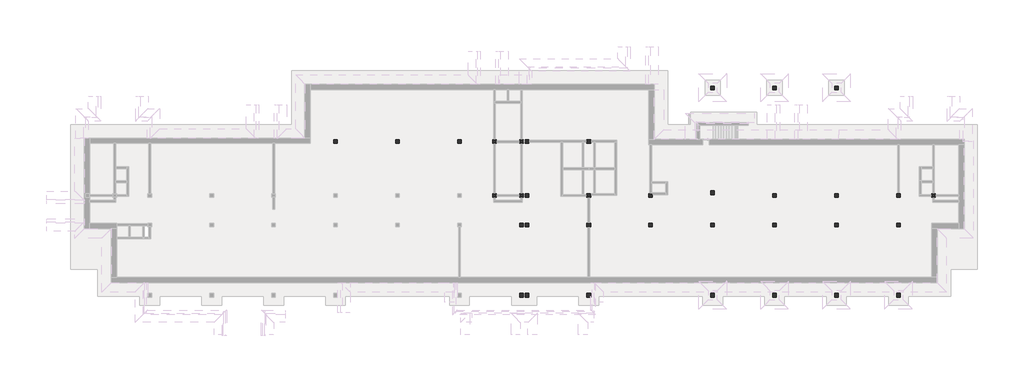
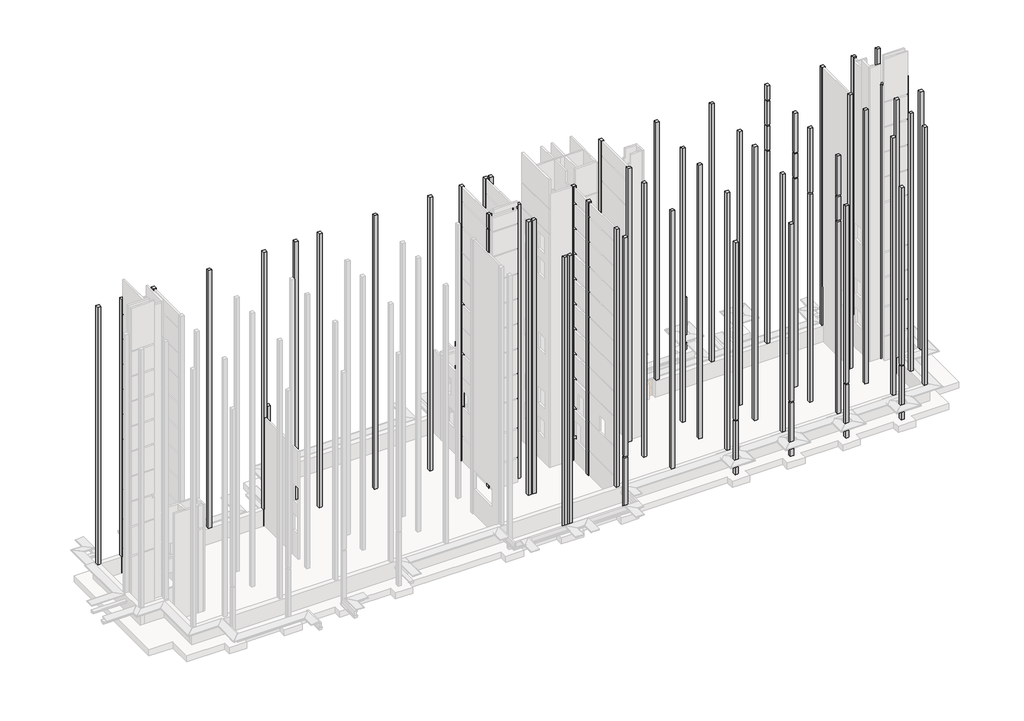
# One storey, part 6 of 9: 68 columns.
"""IFC4 building model written with IfcOpenShell, lengths in millimetres."""

import ifcopenshell
import ifcopenshell.guid

model = None  # the IFC model being written
_history = None  # IfcOwnerHistory: only IFC2X3 demands one
_inside = {}  # id of a spatial element -> (the spatial element, [elements in it])
_under = {}  # id of a project, library or spatial element -> (it, [spatial elements below it])
_declared = {}  # id of a project -> (the project, [libraries it declares])
_typed = {}  # id of a type object -> (the type object, [elements of that type])
_made_of = {}  # id of a material, layer set ... -> (it, [elements and type objects made of it])


def new_model(schema):
    """Start an empty IFC model of exactly this schema.

    Asked for "IFC4X3", IfcOpenShell would pick the latest addendum, in which some entities
    have other attributes; the version numbers below select the first issue.
    IFC2X3 requires an IfcOwnerHistory on every rooted entity: one is made here for all.
    """
    global model, _history
    if schema == "IFC4X3":
        model = ifcopenshell.file(schema_version=(4, 3, 0, 0))
    else:
        model = ifcopenshell.file(schema=schema)
    _inside.clear()
    _under.clear()
    _declared.clear()
    _typed.clear()
    _made_of.clear()
    _history = None
    if model.schema == "IFC2X3":
        org = make("IfcOrganization", Name="unknown")
        user = make(
            "IfcPersonAndOrganization",
            ThePerson=make("IfcPerson", FamilyName="unknown"),
            TheOrganization=org,
        )
        app = make(
            "IfcApplication",
            ApplicationDeveloper=org,
            Version="unknown",
            ApplicationFullName="unknown",
            ApplicationIdentifier="unknown",
        )
        _history = make(
            "IfcOwnerHistory",
            OwningUser=user,
            OwningApplication=app,
            ChangeAction="ADDED",
            CreationDate=0,
        )
    return model


def make(cls, **values):
    """One entity of the class cls with the attributes given. An attribute that is None is left unset."""
    return model.create_entity(
        cls, **{name: value for name, value in values.items() if value is not None}
    )


def rooted(cls, **values):
    """An entity with a GlobalId (a new one), such as an element, a storey or a relation."""
    return make(cls, GlobalId=ifcopenshell.guid.new(), OwnerHistory=_history, **values)


def si_unit(unit_type, name, prefix=None):
    """IfcSIUnit, for example si_unit("LENGTHUNIT", "METRE", prefix="MILLI")."""
    return make("IfcSIUnit", UnitType=unit_type, Prefix=prefix, Name=name)


def assignment(units):
    """IfcUnitAssignment: the units of a project."""
    return None if units is None else make("IfcUnitAssignment", Units=units)


def point(xyz):
    """IfcCartesianPoint."""
    return None if xyz is None else make("IfcCartesianPoint", Coordinates=xyz)


def direction(xyz):
    """IfcDirection."""
    return None if xyz is None else make("IfcDirection", DirectionRatios=xyz)


def frame(location, z_axis=None, x_axis=None):
    """IfcAxis2Placement3D, a coordinate frame: its origin and axes. An axis left out is left unset."""
    return make(
        "IfcAxis2Placement3D",
        Location=point(location),
        Axis=direction(z_axis),
        RefDirection=direction(x_axis),
    )


def origin():
    """The frame at (0, 0, 0) with its axes left unset."""
    return frame((0.0, 0.0, 0.0))


def place(relative_to, where):
    """IfcLocalPlacement: puts the frame where relative to a parent placement (None: the world)."""
    return make(
        "IfcLocalPlacement", PlacementRelTo=relative_to, RelativePlacement=where
    )


def context(
    kind, dimensions, precision=None, world=None, true_north=None, identifier=None
):
    """IfcGeometricRepresentationContext, for example the 3D "Model" context."""
    return make(
        "IfcGeometricRepresentationContext",
        ContextIdentifier=identifier,
        ContextType=kind,
        CoordinateSpaceDimension=dimensions,
        Precision=precision,
        WorldCoordinateSystem=world,
        TrueNorth=true_north,
    )


def project(units=None, contexts=None):
    """IfcProject with its units and contexts."""
    return rooted(
        "IfcProject",
        Name="project",
        RepresentationContexts=contexts,
        UnitsInContext=assignment(units),
    )


def spatial(cls, under=None, at=None, **own):
    """A site, building, storey or space (cls), placed at a placement, below another one or the project."""
    s = rooted(cls, ObjectPlacement=at, **own)
    if under is not None:
        _under.setdefault(under.id(), (under, []))[1].append(s)
    return s


def polyline(points):
    """IfcPolyline through the points."""
    return make("IfcPolyline", Points=[point(p) for p in points])


def outline(outer, holes=None, kind="AREA"):
    """IfcArbitraryClosedProfileDef: a profile drawn as a closed curve; with holes, ...WithVoids."""
    if holes is None:
        return make("IfcArbitraryClosedProfileDef", ProfileType=kind, OuterCurve=outer)
    return make(
        "IfcArbitraryProfileDefWithVoids",
        ProfileType=kind,
        OuterCurve=outer,
        InnerCurves=holes,
    )


def extrude(swept, where, along, depth):
    """IfcExtrudedAreaSolid: the profile swept, set in the frame where, extruded along a direction by depth."""
    return make(
        "IfcExtrudedAreaSolid",
        SweptArea=swept,
        Position=where,
        ExtrudedDirection=direction(along),
        Depth=depth,
    )


def faces_of(points, faces, orient=None, outer=None):
    """IfcFace entities. A face is a list of loops; a loop is a list of indices into points, from 0.

    orient and outer hold one flag for each loop. By default every Orientation is true, the
    first loop of a face is its IfcFaceOuterBound and the others are IfcFaceBound.
    """
    made = []
    for i, loops in enumerate(faces):
        bounds = []
        for j, loop in enumerate(loops):
            is_outer = j == 0 if outer is None else outer[i][j]
            bounds.append(
                make(
                    "IfcFaceOuterBound" if is_outer else "IfcFaceBound",
                    Bound=make("IfcPolyLoop", Polygon=[points[k] for k in loop]),
                    Orientation=True if orient is None else orient[i][j],
                )
            )
        made.append(make("IfcFace", Bounds=bounds))
    return made


def faceted_brep(points, faces, orient=None, outer=None, voids=None):
    """IfcFacetedBrep: a solid bounded by flat faces; with voids (closed shells), ...WithVoids."""
    shared = [point(p) for p in points]
    hull = make("IfcClosedShell", CfsFaces=faces_of(shared, faces, orient, outer))
    if voids is None:
        return make("IfcFacetedBrep", Outer=hull)
    return make(
        "IfcFacetedBrepWithVoids",
        Outer=hull,
        Voids=[
            make(cls, CfsFaces=faces_of(shared, fs, o, b)) for cls, fs, o, b in voids
        ],
    )


def shape(context_of_items, identifier, shape_type, items):
    """IfcShapeRepresentation: the items that make up one representation, for example the "Body"."""
    return make(
        "IfcShapeRepresentation",
        ContextOfItems=context_of_items,
        RepresentationIdentifier=identifier,
        RepresentationType=shape_type,
        Items=items,
    )


def source(mapping_origin, context_of_items, identifier, shape_type, items):
    """IfcRepresentationMap: a shape defined once, which mapped items show again and again."""
    return make(
        "IfcRepresentationMap",
        MappingOrigin=mapping_origin,
        MappedRepresentation=shape(context_of_items, identifier, shape_type, items),
    )


def transform(
    local_origin,
    x_axis=None,
    y_axis=None,
    z_axis=None,
    scale=None,
    scale2=None,
    scale3=None,
    uniform=True,
):
    """IfcCartesianTransformationOperator3D, or its non-uniform kind. x_axis, y_axis, z_axis: its Axis1, 2, 3."""
    if uniform:
        return make(
            "IfcCartesianTransformationOperator3D",
            Axis1=direction(x_axis),
            Axis2=direction(y_axis),
            LocalOrigin=point(local_origin),
            Scale=scale,
            Axis3=direction(z_axis),
        )
    return make(
        "IfcCartesianTransformationOperator3DnonUniform",
        Axis1=direction(x_axis),
        Axis2=direction(y_axis),
        LocalOrigin=point(local_origin),
        Scale=scale,
        Axis3=direction(z_axis),
        Scale2=scale2,
        Scale3=scale3,
    )


def mapped(mapping_source, mapping_target):
    """IfcMappedItem: shows the shape of a source again, moved by a transform."""
    return make(
        "IfcMappedItem", MappingSource=mapping_source, MappingTarget=mapping_target
    )


def made_of(thing, what):
    """Note that an element or type object is made of a material, layer set ...; save() writes the relation."""
    if what is not None:
        _made_of.setdefault(what.id(), (what, []))[1].append(thing)
    return thing


def element(
    cls,
    number,
    at=None,
    inside=None,
    cuts=None,
    type_object=None,
    material=None,
    context=None,
    identifier="Body",
    shape_type=None,
    held_by="IfcProductDefinitionShape",
    body=None,
    shapes=None,
    **own,
):
    """One element of the class cls, such as IfcWall. Its Tag is "e" and its number.

    at: its placement. inside: the storey or other place that contains it. cuts: it is an
    opening in that element (IfcRelVoidsElement). A single representation is given by context,
    identifier, shape_type and body (its items); several are given by shapes. held_by: the class
    of the entity that holds the representations. save() writes the other relations.
    """
    e = rooted(cls, Tag="e%d" % number, ObjectPlacement=at, **own)
    if body is not None:
        shapes = [shape(context, identifier, shape_type, body)]
    if shapes is not None:
        e.Representation = make(held_by, Representations=shapes)
    if inside is not None:
        _inside.setdefault(inside.id(), (inside, []))[1].append(e)
    if cuts is not None:
        rooted(
            "IfcRelVoidsElement", RelatingBuildingElement=cuts, RelatedOpeningElement=e
        )
    if type_object is not None:
        _typed.setdefault(type_object.id(), (type_object, []))[1].append(e)
    return made_of(e, material)


def aggregate(whole, parts):
    """IfcRelAggregates: a whole, such as a stair, and the parts it consists of."""
    return rooted("IfcRelAggregates", RelatingObject=whole, RelatedObjects=parts)


def save(model, path):
    """Write the relations noted so far, then the file.

    IfcRelAggregates (storeys below a building ...), IfcRelContainedInSpatialStructure (elements
    in a storey), IfcRelDefinesByType, IfcRelAssociatesMaterial and IfcRelDeclares: one each for
    every whole, place, type object, material and project.
    """
    for whole, parts in _under.values():
        aggregate(whole, parts)
    for where, things in _inside.values():
        rooted(
            "IfcRelContainedInSpatialStructure",
            RelatedElements=things,
            RelatingStructure=where,
        )
    for kind, things in _typed.values():
        rooted("IfcRelDefinesByType", RelatedObjects=things, RelatingType=kind)
    for what, things in _made_of.values():
        rooted("IfcRelAssociatesMaterial", RelatedObjects=things, RelatingMaterial=what)
    for by, libraries in _declared.values():
        rooted("IfcRelDeclares", RelatingContext=by, RelatedDefinitions=libraries)
    model.write(path)


def column_3cdd4e65(model_context):
    return source(origin(), model_context, "Body", "SweptSolid", [
        extrude(outline(polyline([(200.0, 200.0), (200.0, -200.0), (-200.0, -200.0), (-200.0, 200.0), (200.0, 200.0)])), frame((0.0, 0.0, -3300.0), z_axis=(0.0, 0.0, 1.0), x_axis=(1.0, 0.0, 0.0)), (0.0, 0.0, 1.0), 6900.0),
    ])


def column_06988548(model_context):
    return source(origin(), model_context, "Body", "SweptSolid", [
        extrude(outline(polyline([(200.0, 200.0), (200.0, -200.0), (-200.0, -200.0), (-200.0, 200.0), (200.0, 200.0)])), frame((0.0, 0.0, -3300.0), z_axis=(0.0, 0.0, 1.0), x_axis=(1.0, 0.0, 0.0)), (0.0, 0.0, 1.0), 10800.0),
    ])


model = new_model("IFC4")

# Units and contexts
model_context = context("Model", 3, world=origin())
ifc_project = project(units=[si_unit("LENGTHUNIT", "METRE", prefix="MILLI")], contexts=[model_context])

# Site, building, storey
site = spatial("IfcSite", under=ifc_project)
building = spatial("IfcBuilding", under=site)
storey = spatial("IfcBuildingStorey", under=building, Elevation=-3300.0)

# Columns
placement = place(None, origin())
element("IfcColumn", 1, at=placement, inside=storey, context=model_context, shape_type="SweptSolid", body=[
    extrude(outline(polyline([(-47989.9887159, 393.1079487), (-47989.9887159, 793.1079487), (-47589.9887159, 793.1079487), (-47589.9887159, 393.1079487), (-47989.9887159, 393.1079487)])), frame((0.0, 0.0, -3300.0), z_axis=(0.0, 0.0, 1.0), x_axis=(1.0, 0.0, 0.0)), (0.0, 0.0, 1.0), 36100.0),
])
element("IfcColumn", 2, at=placement, inside=storey, context=model_context, shape_type="Brep", body=[
    faceted_brep([(-44989.9887159, 393.1079487, -3300.0), (-44989.9887159, 793.1079487, -3300.0), (-44589.9887159, 793.1079487, -3300.0), (-44589.9887159, 393.1079487, -3300.0), (-44689.9887159, 393.1079487, -3300.0), (-44889.9887159, 393.1079487, -3300.0), (-44989.9887159, 393.1079487, 32800.0), (-44989.9887159, 793.1079487, 32800.0), (-44589.9887159, 793.1079487, 32800.0), (-44589.9887159, 393.1079487, 32800.0)], [[[0, 1, 2, 3, 4, 5]], [[6, 7, 1, 0]], [[7, 8, 2, 1]], [[8, 9, 3, 2]], [[9, 6, 0, 5, 4, 3]], [[6, 9, 8, 7]]]),
])
element("IfcColumn", 3, at=placement, inside=storey, context=model_context, shape_type="SweptSolid", body=[
    extrude(outline(polyline([(-41089.9887159, 393.1079487), (-41089.9887159, 793.1079487), (-40689.9887159, 793.1079487), (-40689.9887159, 393.1079487), (-41089.9887159, 393.1079487)])), frame((0.0, 0.0, -3300.0), z_axis=(0.0, 0.0, 1.0), x_axis=(1.0, 0.0, 0.0)), (0.0, 0.0, 1.0), 36100.0),
])
element("IfcColumn", 4, at=placement, inside=storey, context=model_context, shape_type="SweptSolid", body=[
    extrude(outline(polyline([(-34189.9887159, 393.1079487), (-34189.9887159, 793.1079487), (-33789.9887159, 793.1079487), (-33789.9887159, 393.1079487), (-34189.9887159, 393.1079487)])), frame((0.0, 0.0, -3300.0), z_axis=(0.0, 0.0, 1.0), x_axis=(1.0, 0.0, 0.0)), (0.0, 0.0, 1.0), 36100.0),
])
element("IfcColumn", 5, at=placement, inside=storey, context=model_context, shape_type="SweptSolid", body=[
    extrude(outline(polyline([(-27289.9887159, 393.1079487), (-27289.9887159, 793.1079487), (-26889.9887159, 793.1079487), (-26889.9887159, 393.1079487), (-27289.9887159, 393.1079487)])), frame((0.0, 0.0, -3300.0), z_axis=(0.0, 0.0, 1.0), x_axis=(1.0, 0.0, 0.0)), (0.0, 0.0, 1.0), 36100.0),
])
element("IfcColumn", 6, at=placement, inside=storey, context=model_context, shape_type="SweptSolid", body=[
    extrude(outline(polyline([(-20389.9887159, 393.1079487), (-20389.9887159, 793.1079487), (-19989.9887159, 793.1079487), (-19989.9887159, 393.1079487), (-20389.9887159, 393.1079487)])), frame((0.0, 0.0, -3300.0), z_axis=(0.0, 0.0, 1.0), x_axis=(1.0, 0.0, 0.0)), (0.0, 0.0, 1.0), 36100.0),
])
element("IfcColumn", 7, at=placement, inside=storey, context=model_context, shape_type="SweptSolid", body=[
    extrude(outline(polyline([(-13489.9887159, 393.1079487), (-13489.9887159, 793.1079487), (-13089.9887159, 793.1079487), (-13089.9887159, 393.1079487), (-13489.9887159, 393.1079487)])), frame((0.0, 0.0, -3300.0), z_axis=(0.0, 0.0, 1.0), x_axis=(1.0, 0.0, 0.0)), (0.0, 0.0, 1.0), 36100.0),
])
element("IfcColumn", 8, at=placement, inside=storey, context=model_context, shape_type="SweptSolid", body=[
    extrude(outline(polyline([(-6589.9887159, 393.1079487), (-6589.9887159, 793.1079487), (-6189.9887159, 793.1079487), (-6189.9887159, 393.1079487), (-6589.9887159, 393.1079487)])), frame((0.0, 0.0, -3300.0), z_axis=(0.0, 0.0, 1.0), x_axis=(1.0, 0.0, 0.0)), (0.0, 0.0, 1.0), 36100.0),
])
element("IfcColumn", 9, at=placement, inside=storey, context=model_context, shape_type="Brep", body=[
    faceted_brep([(-2689.9887159, -5606.8920513, -3300.0), (-2689.9887159, -5206.8920513, -3300.0), (-2589.9887159, -5206.8920513, -3300.0), (-2389.9887159, -5206.8920513, -3300.0), (-2289.9887159, -5206.8920513, -3300.0), (-2289.9887159, -5306.8920513, -3300.0), (-2289.9887159, -5506.8920513, -3300.0), (-2289.9887159, -5606.8920513, -3300.0), (-2389.9887159, -5606.8920513, -3300.0), (-2589.9887159, -5606.8920513, -3300.0), (-2689.9887159, -5606.8920513, 32800.0), (-2689.9887159, -5206.8920513, 32800.0), (-2689.9887159, -5206.8920513, 30900.0), (-2689.9887159, -5486.8920513, 30900.0), (-2689.9887159, -5606.8920513, 30900.0), (-2689.9887159, -5206.8920513, -160.0), (-2589.9887159, -5206.8920513, -160.0), (-2393.7175295, -5206.8920513, -160.0), (-2389.9887159, -5206.8920513, -160.0), (-2293.7175295, -5206.8920513, -160.0), (-2293.7175295, -5206.8920513, 0.0), (-2389.9887159, -5206.8920513, 0.0), (-2393.7175295, -5206.8920513, 0.0), (-2589.9887159, -5206.8920513, 0.0), (-2689.9887159, -5206.8920513, 0.0), (-2689.9887159, -5206.8920513, 30740.0), (-2589.9887159, -5206.8920513, 30740.0), (-2393.7175295, -5206.8920513, 30740.0), (-2389.9887159, -5206.8920513, 30740.0), (-2293.7175295, -5206.8920513, 30740.0), (-2293.7175295, -5206.8920513, 30900.0), (-2389.9887159, -5206.8920513, 30900.0), (-2393.7175295, -5206.8920513, 30900.0), (-2589.9887159, -5206.8920513, 30900.0), (-2589.9887159, -5206.8920513, 32800.0), (-2389.9887159, -5206.8920513, 32800.0), (-2289.9887159, -5206.8920513, 32800.0), (-2289.9887159, -5306.8920513, 32800.0), (-2289.9887159, -5506.8920513, 32800.0), (-2289.9887159, -5606.8920513, 32800.0), (-2289.9887159, -5306.8920513, -160.0), (-2289.9887159, -5506.8920513, -160.0), (-2289.9887159, -5506.8920513, 0.0), (-2289.9887159, -5306.8920513, 0.0), (-2289.9887159, -5306.8920513, 30740.0), (-2289.9887159, -5506.8920513, 30740.0), (-2289.9887159, -5506.8920513, 30900.0), (-2289.9887159, -5306.8920513, 30900.0), (-2389.9887159, -5606.8920513, 32800.0), (-2589.9887159, -5606.8920513, 32800.0), (-2589.9887159, -5606.8920513, 30900.0), (-2389.9887159, -5606.8920513, 30900.0), (-2389.9887159, -5606.8920513, 30740.0), (-2589.9887159, -5606.8920513, 30740.0), (-2689.9887159, -5606.8920513, 30740.0), (-2689.9887159, -5606.8920513, 14400.0), (-2689.9887159, -5606.8920513, 14240.0), (-2689.9887159, -5606.8920513, 11100.0), (-2689.9887159, -5606.8920513, 0.0), (-2589.9887159, -5606.8920513, 0.0), (-2389.9887159, -5606.8920513, 0.0), (-2389.9887159, -5606.8920513, -160.0), (-2589.9887159, -5606.8920513, -160.0), (-2689.9887159, -5606.8920513, -160.0), (-2293.7175295, -5306.8920513, -160.0), (-2389.9887159, -5506.8920513, -160.0), (-2293.7175295, -5306.8920513, 0.0), (-2389.9887159, -5506.8920513, 0.0), (-2293.7175295, -5306.8920513, 30740.0), (-2689.9887159, -5486.8920513, 30740.0), (-2389.9887159, -5506.8920513, 30740.0), (-2293.7175295, -5306.8920513, 30900.0), (-2389.9887159, -5506.8920513, 30900.0)], [[[0, 1, 2, 3, 4, 5, 6, 7, 8, 9]], [[10, 11, 12, 13, 14]], [[4, 3, 2, 1, 15, 16, 17, 18, 19, 20, 21, 22, 23, 24, 25, 26, 27, 28, 29, 30, 31, 32, 33, 12, 11, 34, 35, 36]], [[7, 6, 5, 4, 36, 37, 38, 39], [40, 41, 42, 43], [44, 45, 46, 47]], [[0, 9, 8, 7, 39, 48, 49, 10, 14, 50, 51, 52, 53, 54, 55, 56, 57, 58, 59, 60, 61, 62, 63]], [[11, 10, 49, 48, 39, 38, 37, 36, 35, 34]], [[64, 19, 18, 17, 16, 15, 63, 62, 61, 65, 41, 40]], [[20, 66, 43, 42, 67, 60, 59, 58, 24, 23, 22, 21]], [[19, 64, 66, 20]], [[66, 64, 40, 43]], [[65, 67, 42, 41]], [[67, 65, 61, 60]], [[1, 0, 63, 15]], [[68, 29, 28, 27, 26, 25, 69, 54, 53, 52, 70, 45, 44]], [[30, 71, 47, 46, 72, 51, 50, 14, 13, 12, 33, 32, 31]], [[29, 68, 71, 30]], [[71, 68, 44, 47]], [[70, 72, 46, 45]], [[72, 70, 52, 51]], [[24, 58, 57, 56, 55, 54, 69, 25]]]),
])
element("IfcColumn", 10, at=placement, inside=storey, context=model_context, shape_type="SweptSolid", body=[
    extrude(outline(polyline([(-2689.9887159, 393.1079487), (-2689.9887159, 793.1079487), (-2289.9887159, 793.1079487), (-2289.9887159, 393.1079487), (-2689.9887159, 393.1079487)])), frame((0.0, 0.0, -3300.0), z_axis=(0.0, 0.0, 1.0), x_axis=(1.0, 0.0, 0.0)), (0.0, 0.0, 1.0), 36100.0),
])
element("IfcColumn", 11, at=placement, inside=storey, context=model_context, shape_type="SweptSolid", body=[
    extrude(outline(polyline([(310.0112841, -16706.8920513), (310.0112841, -16306.8920513), (710.0112841, -16306.8920513), (710.0112841, -16706.8920513), (310.0112841, -16706.8920513)])), frame((0.0, 0.0, -3300.0), z_axis=(0.0, 0.0, 1.0), x_axis=(1.0, 0.0, 0.0)), (0.0, 0.0, 1.0), 36100.0),
])
element("IfcColumn", 12, at=placement, inside=storey, context=model_context, shape_type="SweptSolid", body=[
    extrude(outline(polyline([(310.0112841, -8906.8920513), (310.0112841, -8506.8920513), (710.0112841, -8506.8920513), (710.0112841, -8906.8920513), (310.0112841, -8906.8920513)])), frame((0.0, 0.0, -3300.0), z_axis=(0.0, 0.0, 1.0), x_axis=(1.0, 0.0, 0.0)), (0.0, 0.0, 1.0), 36100.0),
])
element("IfcColumn", 13, at=placement, inside=storey, context=model_context, shape_type="Brep", body=[
    faceted_brep([(310.0112841, -5606.8920513, -3300.0), (310.0112841, -5206.8920513, -3300.0), (410.0112841, -5206.8920513, -3300.0), (610.0112841, -5206.8920513, -3300.0), (710.0112841, -5206.8920513, -3300.0), (710.0112841, -5606.8920513, -3300.0), (610.0112841, -5606.8920513, -3300.0), (410.0112841, -5606.8920513, -3300.0), (310.0112841, -5606.8920513, 32800.0), (310.0112841, -5206.8920513, 32800.0), (410.0112841, -5206.8920513, 32800.0), (610.0112841, -5206.8920513, 32800.0), (710.0112841, -5206.8920513, 32800.0), (710.0112841, -5606.8920513, 32800.0), (610.0112841, -5606.8920513, 32800.0), (410.0112841, -5606.8920513, 32800.0)], [[[0, 1, 2, 3, 4, 5, 6, 7]], [[8, 9, 1, 0]], [[9, 10, 11, 12, 4, 3, 2, 1]], [[12, 13, 5, 4]], [[13, 14, 15, 8, 0, 7, 6, 5]], [[8, 15, 14, 13, 12, 11, 10, 9]]]),
])
element("IfcColumn", 14, at=placement, inside=storey, context=model_context, shape_type="SweptSolid", body=[
    extrude(outline(polyline([(310.0112841, 393.1079487), (310.0112841, 793.1079487), (710.0112841, 793.1079487), (710.0112841, 393.1079487), (310.0112841, 393.1079487)])), frame((0.0, 0.0, -3300.0), z_axis=(0.0, 0.0, 1.0), x_axis=(1.0, 0.0, 0.0)), (0.0, 0.0, 1.0), 36100.0),
])
element("IfcColumn", 15, at=placement, inside=storey, context=model_context, shape_type="SweptSolid", body=[
    extrude(outline(polyline([(7810.0112841, -14906.8920513), (7810.0112841, -14506.8920513), (8210.0112841, -14506.8920513), (8210.0112841, -14906.8920513), (7810.0112841, -14906.8920513)])), frame((0.0, 0.0, -3300.0), z_axis=(0.0, 0.0, 1.0), x_axis=(1.0, 0.0, 0.0)), (0.0, 0.0, 1.0), 36100.0),
])
element("IfcColumn", 16, at=placement, inside=storey, context=model_context, shape_type="Brep", body=[
    faceted_brep([(7810.0112841, -8906.8920513, -3300.0), (7810.0112841, -8506.8920513, -3300.0), (7910.0112841, -8506.8920513, -3300.0), (8110.0112841, -8506.8920513, -3300.0), (8210.0112841, -8506.8920513, -3300.0), (8210.0112841, -8906.8920513, -3300.0), (8110.0112841, -8906.8920513, -3300.0), (7910.0112841, -8906.8920513, -3300.0), (7810.0112841, -8906.8920513, 32800.0), (7810.0112841, -8506.8920513, 32800.0), (8210.0112841, -8506.8920513, 32800.0), (8210.0112841, -8906.8920513, 32800.0)], [[[0, 1, 2, 3, 4, 5, 6, 7]], [[8, 9, 1, 0]], [[9, 10, 4, 3, 2, 1]], [[10, 11, 5, 4]], [[11, 8, 0, 7, 6, 5]], [[8, 11, 10, 9]]]),
])
element("IfcColumn", 17, at=placement, inside=storey, context=model_context, shape_type="SweptSolid", body=[
    extrude(outline(polyline([(7810.0112841, -5606.8920513), (7810.0112841, -5206.8920513), (8210.0112841, -5206.8920513), (8210.0112841, -5606.8920513), (7810.0112841, -5606.8920513)])), frame((0.0, 0.0, -3300.0), z_axis=(0.0, 0.0, 1.0), x_axis=(1.0, 0.0, 0.0)), (0.0, 0.0, 1.0), 36100.0),
])
element("IfcColumn", 18, at=placement, inside=storey, context=model_context, shape_type="Brep", body=[
    faceted_brep([(7810.0112841, 393.1079487, -3300.0), (7810.0112841, 533.1079487, -3300.0), (7810.0112841, 733.1079487, -3300.0), (7810.0112841, 793.1079487, -3300.0), (8210.0112841, 793.1079487, -3300.0), (8210.0112841, 733.1079487, -3300.0), (8210.0112841, 533.1079487, -3300.0), (8210.0112841, 393.1079487, -3300.0), (7810.0112841, 393.1079487, 32800.0), (7810.0112841, 793.1079487, 32800.0), (8210.0112841, 793.1079487, 32800.0), (8210.0112841, 393.1079487, 32800.0)], [[[0, 1, 2, 3, 4, 5, 6, 7]], [[8, 9, 3, 2, 1, 0]], [[9, 10, 4, 3]], [[10, 11, 7, 6, 5, 4]], [[11, 8, 0, 7]], [[8, 11, 10, 9]]]),
])
element("IfcColumn", 19, at=placement, inside=storey, context=model_context, shape_type="SweptSolid", body=[
    extrude(outline(polyline([(14710.0112841, -14906.8920513), (14710.0112841, -14506.8920513), (15110.0112841, -14506.8920513), (15110.0112841, -14906.8920513), (14710.0112841, -14906.8920513)])), frame((0.0, 0.0, -3300.0), z_axis=(0.0, 0.0, 1.0), x_axis=(1.0, 0.0, 0.0)), (0.0, 0.0, 1.0), 36100.0),
])
element("IfcColumn", 20, at=placement, inside=storey, context=model_context, shape_type="SweptSolid", body=[
    extrude(outline(polyline([(14710.0112841, -8906.8920513), (14710.0112841, -8506.8920513), (15110.0112841, -8506.8920513), (15110.0112841, -8906.8920513), (14710.0112841, -8906.8920513)])), frame((0.0, 0.0, -3300.0), z_axis=(0.0, 0.0, 1.0), x_axis=(1.0, 0.0, 0.0)), (0.0, 0.0, 1.0), 36100.0),
])
element("IfcColumn", 21, at=placement, inside=storey, context=model_context, shape_type="Brep", body=[
    faceted_brep([(14710.0112841, -5606.8920513, -3300.0), (14710.0112841, -5206.8920513, -3300.0), (14810.0112841, -5206.8920513, -3300.0), (15010.0112841, -5206.8920513, -3300.0), (15110.0112841, -5206.8920513, -3300.0), (15110.0112841, -5296.8920513, -3300.0), (15110.0112841, -5606.8920513, -3300.0), (14710.0112841, -5606.8920513, 32800.0), (14710.0112841, -5206.8920513, 32800.0), (14810.0112841, -5206.8920513, 32800.0), (15010.0112841, -5206.8920513, 32800.0), (15110.0112841, -5206.8920513, 32800.0), (15110.0112841, -5296.8920513, 32800.0), (15110.0112841, -5606.8920513, 32800.0)], [[[0, 1, 2, 3, 4, 5, 6]], [[7, 8, 1, 0]], [[8, 9, 10, 11, 4, 3, 2, 1]], [[11, 12, 13, 6, 5, 4]], [[13, 7, 0, 6]], [[7, 13, 12, 11, 10, 9, 8]]]),
])
element("IfcColumn", 22, at=placement, inside=storey, context=model_context, shape_type="SweptSolid", body=[
    extrude(outline(polyline([(14710.0112841, 393.1079487), (14710.0112841, 793.1079487), (15110.0112841, 793.1079487), (15110.0112841, 393.1079487), (14710.0112841, 393.1079487)])), frame((0.0, 0.0, -3300.0), z_axis=(0.0, 0.0, 1.0), x_axis=(1.0, 0.0, 0.0)), (0.0, 0.0, 1.0), 36100.0),
])
element("IfcColumn", 23, at=placement, inside=storey, context=model_context, shape_type="SweptSolid", body=[
    extrude(outline(polyline([(21610.0112841, -14906.8920513), (21610.0112841, -14506.8920513), (22010.0112841, -14506.8920513), (22010.0112841, -14906.8920513), (21610.0112841, -14906.8920513)])), frame((0.0, 0.0, -3300.0), z_axis=(0.0, 0.0, 1.0), x_axis=(1.0, 0.0, 0.0)), (0.0, 0.0, 1.0), 36100.0),
])
element("IfcColumn", 24, at=placement, inside=storey, context=model_context, shape_type="SweptSolid", body=[
    extrude(outline(polyline([(21610.0112841, -8906.8920513), (21610.0112841, -8506.8920513), (22010.0112841, -8506.8920513), (22010.0112841, -8906.8920513), (21610.0112841, -8906.8920513)])), frame((0.0, 0.0, -3300.0), z_axis=(0.0, 0.0, 1.0), x_axis=(1.0, 0.0, 0.0)), (0.0, 0.0, 1.0), 36100.0),
])
element("IfcColumn", 25, at=placement, inside=storey, context=model_context, shape_type="SweptSolid", body=[
    extrude(outline(polyline([(21610.0112841, -5296.8920513), (21610.0112841, -4896.8920513), (22010.0112841, -4896.8920513), (22010.0112841, -5296.8920513), (21610.0112841, -5296.8920513)])), frame((0.0, 0.0, -3300.0), z_axis=(0.0, 0.0, 1.0), x_axis=(1.0, 0.0, 0.0)), (0.0, 0.0, 1.0), 36100.0),
])
element("IfcColumn", 26, at=placement, inside=storey, context=model_context, shape_type="SweptSolid", body=[
    extrude(outline(polyline([(21610.0112841, 393.1079487), (21610.0112841, 793.1079487), (22010.0112841, 793.1079487), (22010.0112841, 393.1079487), (21610.0112841, 393.1079487)])), frame((0.0, 0.0, -3300.0), z_axis=(0.0, 0.0, 1.0), x_axis=(1.0, 0.0, 0.0)), (0.0, 0.0, 1.0), 36100.0),
])
element("IfcColumn", 27, at=placement, inside=storey, context=model_context, shape_type="SweptSolid", body=[
    extrude(outline(polyline([(28510.0112841, -14906.8920513), (28510.0112841, -14506.8920513), (28910.0112841, -14506.8920513), (28910.0112841, -14906.8920513), (28510.0112841, -14906.8920513)])), frame((0.0, 0.0, -3300.0), z_axis=(0.0, 0.0, 1.0), x_axis=(1.0, 0.0, 0.0)), (0.0, 0.0, 1.0), 36100.0),
])
element("IfcColumn", 28, at=placement, inside=storey, context=model_context, shape_type="SweptSolid", body=[
    extrude(outline(polyline([(28510.0112841, -8906.8920513), (28510.0112841, -8506.8920513), (28910.0112841, -8506.8920513), (28910.0112841, -8906.8920513), (28510.0112841, -8906.8920513)])), frame((0.0, 0.0, -3300.0), z_axis=(0.0, 0.0, 1.0), x_axis=(1.0, 0.0, 0.0)), (0.0, 0.0, 1.0), 36100.0),
])
element("IfcColumn", 29, at=placement, inside=storey, context=model_context, shape_type="SweptSolid", body=[
    extrude(outline(polyline([(28510.0112841, -5606.8920513), (28510.0112841, -5206.8920513), (28910.0112841, -5206.8920513), (28910.0112841, -5606.8920513), (28510.0112841, -5606.8920513)])), frame((0.0, 0.0, -3300.0), z_axis=(0.0, 0.0, 1.0), x_axis=(1.0, 0.0, 0.0)), (0.0, 0.0, 1.0), 36100.0),
])
element("IfcColumn", 30, at=placement, inside=storey, context=model_context, shape_type="SweptSolid", body=[
    extrude(outline(polyline([(28510.0112841, 393.1079487), (28510.0112841, 793.1079487), (28910.0112841, 793.1079487), (28910.0112841, 393.1079487), (28510.0112841, 393.1079487)])), frame((0.0, 0.0, -3300.0), z_axis=(0.0, 0.0, 1.0), x_axis=(1.0, 0.0, 0.0)), (0.0, 0.0, 1.0), 36100.0),
])
element("IfcColumn", 31, at=placement, inside=storey, context=model_context, shape_type="SweptSolid", body=[
    extrude(outline(polyline([(35410.0112841, -14906.8920513), (35410.0112841, -14506.8920513), (35810.0112841, -14506.8920513), (35810.0112841, -14906.8920513), (35410.0112841, -14906.8920513)])), frame((0.0, 0.0, -3300.0), z_axis=(0.0, 0.0, 1.0), x_axis=(1.0, 0.0, 0.0)), (0.0, 0.0, 1.0), 27440.0),
    extrude(outline(polyline([(35410.0112841, -14906.8920513), (35410.0112841, -14506.8920513), (35810.0112841, -14506.8920513), (35810.0112841, -14906.8920513), (35410.0112841, -14906.8920513)])), frame((0.0, 0.0, 27600.0), z_axis=(0.0, 0.0, 1.0), x_axis=(1.0, 0.0, 0.0)), (0.0, 0.0, 1.0), 5200.0),
    extrude(outline(polyline([(35410.0112841, -14906.8920513), (35410.0112841, -14506.8920513), (35810.0112841, -14506.8920513), (35810.0112841, -14906.8920513), (35410.0112841, -14906.8920513)])), frame((0.0, 0.0, 24300.0), z_axis=(0.0, 0.0, 1.0), x_axis=(1.0, 0.0, 0.0)), (0.0, 0.0, 1.0), 3140.0),
])
element("IfcColumn", 32, at=placement, inside=storey, context=model_context, shape_type="Brep", body=[
    faceted_brep([(35410.0112841, -8906.8920513, -3300.0), (35410.0112841, -8506.8920513, -3300.0), (35810.0112841, -8506.8920513, -3300.0), (35810.0112841, -8906.8920513, -3300.0), (35410.0112841, -8506.8920513, 24140.0), (35410.0112841, -8906.8920513, 24140.0), (35810.0112841, -8906.8920513, 24140.0), (35810.0112841, -8506.8920513, 24140.0), (35410.0112841, -8506.8920513, 14400.0), (35410.0112841, -8506.8920513, 14240.0), (35410.0112841, -8506.8920513, 11100.0), (35810.0112841, -8506.8920513, 14400.0), (35810.0112841, -8506.8920513, 14240.0), (35810.0112841, -8506.8920513, 11100.0)], [[[0, 1, 2, 3]], [[4, 5, 6, 7]], [[1, 0, 5, 4, 8, 9, 10]], [[2, 1, 10, 9, 8, 4, 7, 11, 12, 13]], [[3, 2, 13, 12, 11, 7, 6]], [[0, 3, 6, 5]]]),
    faceted_brep([(35410.0112841, -8906.8920513, 32800.0), (35410.0112841, -8506.8920513, 32800.0), (35410.0112841, -8506.8920513, 30600.0), (35410.0112841, -8506.8920513, 24300.0), (35410.0112841, -8906.8920513, 24300.0), (35810.0112841, -8506.8920513, 32800.0), (35810.0112841, -8506.8920513, 30600.0), (35810.0112841, -8506.8920513, 24300.0), (35810.0112841, -8906.8920513, 32800.0), (35810.0112841, -8906.8920513, 24300.0)], [[[0, 1, 2, 3, 4]], [[1, 5, 6, 7, 3, 2]], [[5, 8, 9, 7, 6]], [[8, 0, 4, 9]], [[1, 0, 8, 5]], [[4, 3, 7, 9]]]),
])
element("IfcColumn", 33, at=placement, inside=storey, context=model_context, shape_type="Brep", body=[
    faceted_brep([(35410.0112841, -5606.8920513, -3300.0), (35410.0112841, -5206.8920513, -3300.0), (35810.0112841, -5206.8920513, -3300.0), (35810.0112841, -5606.8920513, -3300.0), (35410.0112841, -5206.8920513, 24140.0), (35410.0112841, -5606.8920513, 24140.0), (35810.0112841, -5606.8920513, 24140.0), (35810.0112841, -5206.8920513, 24140.0), (35410.0112841, -5206.8920513, 14400.0), (35410.0112841, -5206.8920513, 14240.0), (35410.0112841, -5206.8920513, 11100.0), (35810.0112841, -5206.8920513, 14400.0), (35810.0112841, -5206.8920513, 14240.0), (35810.0112841, -5206.8920513, 11100.0)], [[[0, 1, 2, 3]], [[4, 5, 6, 7]], [[1, 0, 5, 4, 8, 9, 10]], [[2, 1, 10, 9, 8, 4, 7, 11, 12, 13]], [[3, 2, 13, 12, 11, 7, 6]], [[0, 3, 6, 5]]]),
    faceted_brep([(35410.0112841, -5606.8920513, 32800.0), (35410.0112841, -5206.8920513, 32800.0), (35410.0112841, -5206.8920513, 30740.0), (35410.0112841, -5206.8920513, 27600.0), (35410.0112841, -5606.8920513, 27600.0), (35810.0112841, -5206.8920513, 32800.0), (35810.0112841, -5206.8920513, 30740.0), (35810.0112841, -5206.8920513, 27600.0), (35810.0112841, -5606.8920513, 32800.0), (35810.0112841, -5606.8920513, 27600.0)], [[[0, 1, 2, 3, 4]], [[1, 5, 6, 7, 3, 2]], [[5, 8, 9, 7, 6]], [[8, 0, 4, 9]], [[1, 0, 8, 5]], [[4, 3, 7, 9]]]),
    faceted_brep([(35410.0112841, -5606.8920513, 24300.0), (35410.0112841, -5206.8920513, 24300.0), (35810.0112841, -5206.8920513, 24300.0), (35810.0112841, -5606.8920513, 24300.0), (35410.0112841, -5206.8920513, 27440.0), (35410.0112841, -5606.8920513, 27440.0), (35810.0112841, -5606.8920513, 27440.0), (35810.0112841, -5206.8920513, 27440.0)], [[[0, 1, 2, 3]], [[4, 5, 6, 7]], [[1, 0, 5, 4]], [[2, 1, 4, 7]], [[3, 2, 7, 6]], [[0, 3, 6, 5]]]),
])
element("IfcColumn", 34, at=placement, inside=storey, context=model_context, shape_type="Brep", body=[
    faceted_brep([(35410.0112841, 393.1079487, -3300.0), (35410.0112841, 793.1079487, -3300.0), (35810.0112841, 793.1079487, -3300.0), (35810.0112841, 393.1079487, -3300.0), (35410.0112841, 793.1079487, 24140.0), (35410.0112841, 393.1079487, 24140.0), (35810.0112841, 393.1079487, 24140.0), (35810.0112841, 793.1079487, 24140.0), (35410.0112841, 393.1079487, 11100.0), (35410.0112841, 393.1079487, 14240.0), (35410.0112841, 393.1079487, 14400.0), (35410.0112841, 393.1079487, 17540.0), (35410.0112841, 393.1079487, 17700.0), (35410.0112841, 393.1079487, 20840.0), (35410.0112841, 393.1079487, 21000.0), (35410.0112841, 793.1079487, 21000.0), (35410.0112841, 793.1079487, 20840.0), (35410.0112841, 793.1079487, 17700.0), (35410.0112841, 793.1079487, 17540.0), (35410.0112841, 793.1079487, 14400.0), (35410.0112841, 793.1079487, 14240.0), (35410.0112841, 793.1079487, 11100.0), (35810.0112841, 793.1079487, 21000.0), (35810.0112841, 793.1079487, 20840.0), (35810.0112841, 793.1079487, 17700.0), (35810.0112841, 793.1079487, 17540.0), (35810.0112841, 793.1079487, 14400.0), (35810.0112841, 793.1079487, 14240.0), (35810.0112841, 793.1079487, 11100.0), (35810.0112841, 393.1079487, 21000.0), (35810.0112841, 393.1079487, 20840.0), (35810.0112841, 393.1079487, 17700.0), (35810.0112841, 393.1079487, 17540.0), (35810.0112841, 393.1079487, 14400.0), (35810.0112841, 393.1079487, 14240.0), (35810.0112841, 393.1079487, 11100.0)], [[[0, 1, 2, 3]], [[4, 5, 6, 7]], [[1, 0, 8, 9, 10, 11, 12, 13, 14, 5, 4, 15, 16, 17, 18, 19, 20, 21]], [[2, 1, 21, 20, 19, 18, 17, 16, 15, 4, 7, 22, 23, 24, 25, 26, 27, 28]], [[3, 2, 28, 27, 26, 25, 24, 23, 22, 7, 6, 29, 30, 31, 32, 33, 34, 35]], [[0, 3, 35, 34, 33, 32, 31, 30, 29, 6, 5, 14, 13, 12, 11, 10, 9, 8]]]),
    faceted_brep([(35410.0112841, 393.1079487, 32800.0), (35410.0112841, 793.1079487, 32800.0), (35410.0112841, 793.1079487, 32652.0), (35410.0112841, 793.1079487, 30900.0), (35410.0112841, 393.1079487, 30900.0), (35410.0112841, 393.1079487, 32652.0), (35810.0112841, 793.1079487, 32800.0), (35810.0112841, 793.1079487, 32652.0), (35810.0112841, 793.1079487, 30900.0), (35810.0112841, 393.1079487, 32800.0), (35810.0112841, 393.1079487, 32652.0), (35810.0112841, 393.1079487, 30900.0)], [[[0, 1, 2, 3, 4, 5]], [[1, 6, 7, 8, 3, 2]], [[6, 9, 10, 11, 8, 7]], [[9, 0, 5, 4, 11, 10]], [[1, 0, 9, 6]], [[4, 3, 8, 11]]]),
    faceted_brep([(35410.0112841, 393.1079487, 24300.0), (35410.0112841, 793.1079487, 24300.0), (35810.0112841, 793.1079487, 24300.0), (35810.0112841, 393.1079487, 24300.0), (35410.0112841, 793.1079487, 27440.0), (35410.0112841, 393.1079487, 27440.0), (35810.0112841, 393.1079487, 27440.0), (35810.0112841, 793.1079487, 27440.0)], [[[0, 1, 2, 3]], [[4, 5, 6, 7]], [[1, 0, 5, 4]], [[2, 1, 4, 7]], [[3, 2, 7, 6]], [[0, 3, 6, 5]]]),
    faceted_brep([(35410.0112841, 793.1079487, 30740.0), (35410.0112841, 393.1079487, 30740.0), (35810.0112841, 393.1079487, 30740.0), (35810.0112841, 793.1079487, 30740.0), (35410.0112841, 793.1079487, 27600.0), (35410.0112841, 393.1079487, 27600.0), (35810.0112841, 793.1079487, 27600.0), (35810.0112841, 393.1079487, 27600.0)], [[[0, 1, 2, 3]], [[1, 0, 4, 5]], [[0, 3, 6, 4]], [[3, 2, 7, 6]], [[2, 1, 5, 7]], [[5, 4, 6, 7]]]),
])
element("IfcColumn", 35, at=placement, inside=storey, context=model_context, shape_type="SweptSolid", body=[
    extrude(outline(polyline([(42310.0112841, -14906.8920513), (42310.0112841, -14506.8920513), (42710.0112841, -14506.8920513), (42710.0112841, -14906.8920513), (42310.0112841, -14906.8920513)])), frame((0.0, 0.0, -3300.0), z_axis=(0.0, 0.0, 1.0), x_axis=(1.0, 0.0, 0.0)), (0.0, 0.0, 1.0), 36100.0),
])
element("IfcColumn", 36, at=placement, inside=storey, context=model_context, shape_type="SweptSolid", body=[
    extrude(outline(polyline([(42310.0112841, -8906.8920513), (42310.0112841, -8506.8920513), (42710.0112841, -8506.8920513), (42710.0112841, -8906.8920513), (42310.0112841, -8906.8920513)])), frame((0.0, 0.0, -3300.0), z_axis=(0.0, 0.0, 1.0), x_axis=(1.0, 0.0, 0.0)), (0.0, 0.0, 1.0), 36100.0),
])
element("IfcColumn", 37, at=placement, inside=storey, context=model_context, shape_type="SweptSolid", body=[
    extrude(outline(polyline([(42310.0112841, -5606.8920513), (42310.0112841, -5206.8920513), (42710.0112841, -5206.8920513), (42710.0112841, -5606.8920513), (42310.0112841, -5606.8920513)])), frame((0.0, 0.0, -3300.0), z_axis=(0.0, 0.0, 1.0), x_axis=(1.0, 0.0, 0.0)), (0.0, 0.0, 1.0), 36100.0),
])
element("IfcColumn", 38, at=placement, inside=storey, context=model_context, shape_type="SweptSolid", body=[
    extrude(outline(polyline([(42310.0112841, 393.1079487), (42310.0112841, 793.1079487), (42710.0112841, 793.1079487), (42710.0112841, 393.1079487), (42310.0112841, 393.1079487)])), frame((0.0, 0.0, -3300.0), z_axis=(0.0, 0.0, 1.0), x_axis=(1.0, 0.0, 0.0)), (0.0, 0.0, 1.0), 36100.0),
])
element("IfcColumn", 39, at=placement, inside=storey, context=model_context, shape_type="SweptSolid", body=[
    extrude(outline(polyline([(46210.0112841, -14906.8920513), (46210.0112841, -14506.8920513), (46610.0112841, -14506.8920513), (46610.0112841, -14906.8920513), (46210.0112841, -14906.8920513)])), frame((0.0, 0.0, -3300.0), z_axis=(0.0, 0.0, 1.0), x_axis=(1.0, 0.0, 0.0)), (0.0, 0.0, 1.0), 36100.0),
])
element("IfcColumn", 40, at=placement, inside=storey, context=model_context, shape_type="Brep", body=[
    faceted_brep([(46210.0112841, -5606.8920513, -3300.0), (46210.0112841, -5206.8920513, -3300.0), (46310.0112841, -5206.8920513, -3300.0), (46510.0112841, -5206.8920513, -3300.0), (46610.0112841, -5206.8920513, -3300.0), (46610.0112841, -5606.8920513, -3300.0), (46510.0112841, -5606.8920513, -3300.0), (46310.0112841, -5606.8920513, -3300.0), (46210.0112841, -5606.8920513, 32800.0), (46210.0112841, -5206.8920513, 32800.0), (46610.0112841, -5206.8920513, 32800.0), (46610.0112841, -5606.8920513, 32800.0)], [[[0, 1, 2, 3, 4, 5, 6, 7]], [[8, 9, 1, 0]], [[9, 10, 4, 3, 2, 1]], [[10, 11, 5, 4]], [[11, 8, 0, 7, 6, 5]], [[8, 11, 10, 9]]]),
])
element("IfcColumn", 41, at=placement, inside=storey, context=model_context, shape_type="SweptSolid", body=[
    extrude(outline(polyline([(46210.0112841, 393.1079487), (46210.0112841, 793.1079487), (46610.0112841, 793.1079487), (46610.0112841, 393.1079487), (46210.0112841, 393.1079487)])), frame((0.0, 0.0, -3300.0), z_axis=(0.0, 0.0, 1.0), x_axis=(1.0, 0.0, 0.0)), (0.0, 0.0, 1.0), 36100.0),
])
element("IfcColumn", 42, at=placement, inside=storey, context=model_context, shape_type="SweptSolid", body=[
    extrude(outline(polyline([(49210.0112841, -5606.8920513), (49210.0112841, -5206.8920513), (49610.0112841, -5206.8920513), (49610.0112841, -5606.8920513), (49210.0112841, -5606.8920513)])), frame((0.0, 0.0, -3300.0), z_axis=(0.0, 0.0, 1.0), x_axis=(1.0, 0.0, 0.0)), (0.0, 0.0, 1.0), 36100.0),
])
element("IfcColumn", 43, at=placement, inside=storey, context=model_context, shape_type="SweptSolid", body=[
    extrude(outline(polyline([(49210.0112841, 393.1079487), (49210.0112841, 793.1079487), (49610.0112841, 793.1079487), (49610.0112841, 393.1079487), (49210.0112841, 393.1079487)])), frame((0.0, 0.0, -3300.0), z_axis=(0.0, 0.0, 1.0), x_axis=(1.0, 0.0, 0.0)), (0.0, 0.0, 1.0), 36100.0),
])
element("IfcColumn", 44, at=placement, inside=storey, context=model_context, shape_type="SweptSolid", body=[
    extrude(outline(polyline([(910.0112841, -16706.8920513), (910.0112841, -16306.8920513), (1310.0112841, -16306.8920513), (1310.0112841, -16706.8920513), (910.0112841, -16706.8920513)])), frame((0.0, 0.0, -3300.0), z_axis=(0.0, 0.0, 1.0), x_axis=(1.0, 0.0, 0.0)), (0.0, 0.0, 1.0), 36100.0),
])
element("IfcColumn", 45, at=placement, inside=storey, context=model_context, shape_type="SweptSolid", body=[
    extrude(outline(polyline([(910.0112841, -8906.8920513), (910.0112841, -8506.8920513), (1310.0112841, -8506.8920513), (1310.0112841, -8906.8920513), (910.0112841, -8906.8920513)])), frame((0.0, 0.0, -3300.0), z_axis=(0.0, 0.0, 1.0), x_axis=(1.0, 0.0, 0.0)), (0.0, 0.0, 1.0), 36100.0),
])
element("IfcColumn", 46, at=placement, inside=storey, context=model_context, shape_type="SweptSolid", body=[
    extrude(outline(polyline([(910.0112841, -5606.8920513), (910.0112841, -5206.8920513), (1310.0112841, -5206.8920513), (1310.0112841, -5606.8920513), (910.0112841, -5606.8920513)])), frame((0.0, 0.0, -3300.0), z_axis=(0.0, 0.0, 1.0), x_axis=(1.0, 0.0, 0.0)), (0.0, 0.0, 1.0), 36100.0),
])
element("IfcColumn", 47, at=placement, inside=storey, context=model_context, shape_type="Brep", body=[
    faceted_brep([(910.0112841, 393.1079487, -3300.0), (910.0112841, 533.1079487, -3300.0), (910.0112841, 733.1079487, -3300.0), (910.0112841, 793.1079487, -3300.0), (1310.0112841, 793.1079487, -3300.0), (1310.0112841, 733.1079487, -3300.0), (1310.0112841, 533.1079487, -3300.0), (1310.0112841, 393.1079487, -3300.0), (910.0112841, 393.1079487, 32800.0), (910.0112841, 793.1079487, 32800.0), (1310.0112841, 793.1079487, 32800.0), (1310.0112841, 393.1079487, 32800.0)], [[[0, 1, 2, 3, 4, 5, 6, 7]], [[8, 9, 3, 2, 1, 0]], [[9, 10, 4, 3]], [[10, 11, 7, 6, 5, 4]], [[11, 8, 0, 7]], [[8, 11, 10, 9]]]),
])
element("IfcColumn", 48, at=placement, inside=storey, context=model_context, shape_type="SweptSolid", body=[
    extrude(outline(polyline([(49610.0112841, -8906.8920513), (49210.0112841, -8906.8920513), (49210.0112841, -8506.8920513), (49610.0112841, -8506.8920513), (49610.0112841, -8906.8920513)])), frame((0.0, 0.0, -3300.0), z_axis=(0.0, 0.0, 1.0), x_axis=(1.0, 0.0, 0.0)), (0.0, 0.0, 1.0), 36100.0),
])
element("IfcColumn", 49, at=placement, inside=storey, context=model_context, shape_type="SweptSolid", body=[
    extrude(outline(polyline([(46610.0112841, -8906.8920513), (46210.0112841, -8906.8920513), (46210.0112841, -8506.8920513), (46610.0112841, -8506.8920513), (46610.0112841, -8906.8920513)])), frame((0.0, 0.0, -3300.0), z_axis=(0.0, 0.0, 1.0), x_axis=(1.0, 0.0, 0.0)), (0.0, 0.0, 1.0), 36100.0),
])
element("IfcColumn", 50, at=placement, inside=storey, context=model_context, shape_type="SweptSolid", body=[
    extrude(outline(polyline([(46610.0112841, -11906.8920513), (46210.0112841, -11906.8920513), (46210.0112841, -11506.8920513), (46610.0112841, -11506.8920513), (46610.0112841, -11906.8920513)])), frame((0.0, 0.0, -3300.0), z_axis=(0.0, 0.0, 1.0), x_axis=(1.0, 0.0, 0.0)), (0.0, 0.0, 1.0), 36100.0),
])
element("IfcColumn", 51, at=placement, inside=storey, context=model_context, shape_type="SweptSolid", body=[
    extrude(outline(polyline([(-23389.9887159, 393.1079487), (-23389.9887159, 793.1079487), (-22989.9887159, 793.1079487), (-22989.9887159, 393.1079487), (-23389.9887159, 393.1079487)])), frame((0.0, 0.0, -3300.0), z_axis=(0.0, 0.0, 1.0), x_axis=(1.0, 0.0, 0.0)), (0.0, 0.0, 1.0), 36100.0),
])
element("IfcColumn", 52, at=placement, inside=storey, context=model_context, shape_type="SweptSolid", body=[
    extrude(outline(polyline([(7810.0112841, -16706.8920513), (7810.0112841, -16306.8920513), (8210.0112841, -16306.8920513), (8210.0112841, -16706.8920513), (7810.0112841, -16706.8920513)])), frame((0.0, 0.0, -3300.0), z_axis=(0.0, 0.0, 1.0), x_axis=(1.0, 0.0, 0.0)), (0.0, 0.0, 1.0), 7040.0),
    extrude(outline(polyline([(7810.0112841, -16706.8920513), (7810.0112841, -16306.8920513), (8210.0112841, -16306.8920513), (8210.0112841, -16706.8920513), (7810.0112841, -16706.8920513)])), frame((0.0, 0.0, 3900.0), z_axis=(0.0, 0.0, 1.0), x_axis=(1.0, 0.0, 0.0)), (0.0, 0.0, 1.0), 28900.0),
])
element("IfcColumn", 53, at=placement, inside=storey, context=model_context, shape_type="SweptSolid", body=[
    extrude(outline(polyline([(21610.0112841, -16706.8920513), (21610.0112841, -16306.8920513), (22010.0112841, -16306.8920513), (22010.0112841, -16706.8920513), (21610.0112841, -16706.8920513)])), frame((0.0, 0.0, -3300.0), z_axis=(0.0, 0.0, 1.0), x_axis=(1.0, 0.0, 0.0)), (0.0, 0.0, 1.0), 7040.0),
    extrude(outline(polyline([(21610.0112841, -16706.8920513), (21610.0112841, -16306.8920513), (22010.0112841, -16306.8920513), (22010.0112841, -16706.8920513), (21610.0112841, -16706.8920513)])), frame((0.0, 0.0, 3900.0), z_axis=(0.0, 0.0, 1.0), x_axis=(1.0, 0.0, 0.0)), (0.0, 0.0, 1.0), 23400.0),
])
element("IfcColumn", 54, at=placement, inside=storey, context=model_context, shape_type="SweptSolid", body=[
    extrude(outline(polyline([(28510.0112841, -16706.8920513), (28510.0112841, -16306.8920513), (28910.0112841, -16306.8920513), (28910.0112841, -16706.8920513), (28510.0112841, -16706.8920513)])), frame((0.0, 0.0, -3300.0), z_axis=(0.0, 0.0, 1.0), x_axis=(1.0, 0.0, 0.0)), (0.0, 0.0, 1.0), 7040.0),
    extrude(outline(polyline([(28510.0112841, -16706.8920513), (28510.0112841, -16306.8920513), (28910.0112841, -16306.8920513), (28910.0112841, -16706.8920513), (28510.0112841, -16706.8920513)])), frame((0.0, 0.0, 3900.0), z_axis=(0.0, 0.0, 1.0), x_axis=(1.0, 0.0, 0.0)), (0.0, 0.0, 1.0), 23400.0),
])
element("IfcColumn", 55, at=placement, inside=storey, context=model_context, shape_type="SweptSolid", body=[
    extrude(outline(polyline([(35410.0112841, -16706.8920513), (35410.0112841, -16306.8920513), (35810.0112841, -16306.8920513), (35810.0112841, -16706.8920513), (35410.0112841, -16706.8920513)])), frame((0.0, 0.0, -3300.0), z_axis=(0.0, 0.0, 1.0), x_axis=(1.0, 0.0, 0.0)), (0.0, 0.0, 1.0), 7040.0),
    extrude(outline(polyline([(35410.0112841, -16706.8920513), (35410.0112841, -16306.8920513), (35810.0112841, -16306.8920513), (35810.0112841, -16706.8920513), (35410.0112841, -16706.8920513)])), frame((0.0, 0.0, 3900.0), z_axis=(0.0, 0.0, 1.0), x_axis=(1.0, 0.0, 0.0)), (0.0, 0.0, 1.0), 23400.0),
])
element("IfcColumn", 56, at=placement, inside=storey, context=model_context, shape_type="SweptSolid", body=[
    extrude(outline(polyline([(42310.0112841, -16706.8920513), (42310.0112841, -16306.8920513), (42710.0112841, -16306.8920513), (42710.0112841, -16706.8920513), (42310.0112841, -16706.8920513)])), frame((0.0, 0.0, -3300.0), z_axis=(0.0, 0.0, 1.0), x_axis=(1.0, 0.0, 0.0)), (0.0, 0.0, 1.0), 7040.0),
    extrude(outline(polyline([(42310.0112841, -16706.8920513), (42310.0112841, -16306.8920513), (42710.0112841, -16306.8920513), (42710.0112841, -16706.8920513), (42310.0112841, -16706.8920513)])), frame((0.0, 0.0, 3900.0), z_axis=(0.0, 0.0, 1.0), x_axis=(1.0, 0.0, 0.0)), (0.0, 0.0, 1.0), 23400.0),
])
element("IfcColumn", 57, at=placement, inside=storey, context=model_context, shape_type="Brep", body=[
    faceted_brep([(49610.0112841, 393.1079487, -3300.0), (49210.0112841, 393.1079487, -3300.0), (49210.0112841, 793.1079487, -3300.0), (49610.0112841, 793.1079487, -3300.0), (49610.0112841, 393.1079487, 32800.0), (49610.0112841, 393.1079487, 30740.0), (49610.0112841, 393.1079487, 30400.0), (49610.0112841, 393.1079487, 27440.0), (49610.0112841, 393.1079487, 27100.0), (49610.0112841, 393.1079487, 24140.0), (49610.0112841, 393.1079487, 23800.0), (49610.0112841, 393.1079487, 20840.0), (49610.0112841, 393.1079487, 20500.0), (49610.0112841, 393.1079487, 17540.0), (49610.0112841, 393.1079487, 17200.0), (49610.0112841, 393.1079487, 14240.0), (49610.0112841, 393.1079487, 13900.0), (49610.0112841, 393.1079487, 10940.0), (49610.0112841, 393.1079487, 10600.0), (49610.0112841, 393.1079487, 7640.0), (49610.0112841, 393.1079487, 7300.0), (49610.0112841, 393.1079487, 3740.0), (49610.0112841, 393.1079487, 3400.0), (49610.0112841, 393.1079487, -160.0), (49610.0112841, 393.1079487, -500.0), (49610.0112841, 793.1079487, 32800.0), (49210.0112841, 793.1079487, -500.0), (49210.0112841, 793.1079487, -160.0), (49210.0112841, 793.1079487, 3400.0), (49210.0112841, 793.1079487, 3740.0), (49210.0112841, 793.1079487, 7300.0), (49210.0112841, 793.1079487, 7640.0), (49210.0112841, 793.1079487, 10600.0), (49210.0112841, 793.1079487, 10940.0), (49210.0112841, 793.1079487, 13900.0), (49210.0112841, 793.1079487, 14240.0), (49210.0112841, 793.1079487, 17200.0), (49210.0112841, 793.1079487, 17540.0), (49210.0112841, 793.1079487, 20500.0), (49210.0112841, 793.1079487, 20840.0), (49210.0112841, 793.1079487, 23800.0), (49210.0112841, 793.1079487, 24140.0), (49210.0112841, 793.1079487, 27100.0), (49210.0112841, 793.1079487, 27440.0), (49210.0112841, 793.1079487, 30400.0), (49210.0112841, 793.1079487, 30740.0), (49210.0112841, 793.1079487, 32800.0), (49210.0112841, 393.1079487, -500.0), (49210.0112841, 393.1079487, -160.0), (49210.0112841, 393.1079487, 3400.0), (49210.0112841, 393.1079487, 3740.0), (49210.0112841, 393.1079487, 7300.0), (49210.0112841, 393.1079487, 7640.0), (49210.0112841, 393.1079487, 10600.0), (49210.0112841, 393.1079487, 10940.0), (49210.0112841, 393.1079487, 13900.0), (49210.0112841, 393.1079487, 14240.0), (49210.0112841, 393.1079487, 17200.0), (49210.0112841, 393.1079487, 17540.0), (49210.0112841, 393.1079487, 20500.0), (49210.0112841, 393.1079487, 20840.0), (49210.0112841, 393.1079487, 23800.0), (49210.0112841, 393.1079487, 24140.0), (49210.0112841, 393.1079487, 27100.0), (49210.0112841, 393.1079487, 27440.0), (49210.0112841, 393.1079487, 30400.0), (49210.0112841, 393.1079487, 30740.0), (49210.0112841, 393.1079487, 32800.0)], [[[0, 1, 2, 3]], [[4, 5, 6, 7, 8, 9, 10, 11, 12, 13, 14, 15, 16, 17, 18, 19, 20, 21, 22, 23, 24, 0, 3, 25]], [[25, 3, 2, 26, 27, 28, 29, 30, 31, 32, 33, 34, 35, 36, 37, 38, 39, 40, 41, 42, 43, 44, 45, 46]], [[46, 45, 44, 43, 42, 41, 40, 39, 38, 37, 36, 35, 34, 33, 32, 31, 30, 29, 28, 27, 26, 2, 1, 47, 48, 49, 50, 51, 52, 53, 54, 55, 56, 57, 58, 59, 60, 61, 62, 63, 64, 65, 66, 67]], [[67, 66, 65, 64, 63, 62, 61, 60, 59, 58, 57, 56, 55, 54, 53, 52, 51, 50, 49, 48, 47, 1, 0, 24, 23, 22, 21, 20, 19, 18, 17, 16, 15, 14, 13, 12, 11, 10, 9, 8, 7, 6, 5, 4]], [[4, 25, 46, 67]]]),
])
column_shape = column_3cdd4e65(model_context)
element("IfcColumn", 58, at=placement, inside=storey, context=model_context, shape_type="MappedRepresentation", body=[
    mapped(column_shape, transform((21810.0112841, 6593.1079487, 0.0), x_axis=(-1.0, 0.0, 0.0), y_axis=(0.0, -1.0, 0.0), z_axis=(0.0, 0.0, 1.0))),
])
element("IfcColumn", 59, at=placement, inside=storey, context=model_context, shape_type="MappedRepresentation", body=[
    mapped(column_shape, transform((28710.0112841, 6593.1079487, 0.0), x_axis=(-1.0, 0.0, 0.0), y_axis=(0.0, -1.0, 0.0), z_axis=(0.0, 0.0, 1.0))),
])
element("IfcColumn", 60, at=placement, inside=storey, context=model_context, shape_type="MappedRepresentation", body=[
    mapped(column_shape, transform((35610.0112841, 6593.1079487, 0.0), x_axis=(-1.0, 0.0, 0.0), y_axis=(0.0, -1.0, 0.0), z_axis=(0.0, 0.0, 1.0))),
])
column_2_shape = column_06988548(model_context)
element("IfcColumn", 61, at=placement, inside=storey, context=model_context, shape_type="MappedRepresentation", body=[
    mapped(column_2_shape, transform((-23189.9887159, 6593.1079487, 0.0), x_axis=(-1.0, 0.0, 0.0), y_axis=(0.0, -1.0, 0.0), z_axis=(0.0, 0.0, 1.0))),
])
element("IfcColumn", 62, at=placement, inside=storey, context=model_context, shape_type="MappedRepresentation", body=[
    mapped(column_2_shape, transform((-20189.9887159, 6593.1079487, 0.0), x_axis=(-1.0, 0.0, 0.0), y_axis=(0.0, -1.0, 0.0), z_axis=(0.0, 0.0, 1.0))),
])
element("IfcColumn", 63, at=placement, inside=storey, context=model_context, shape_type="MappedRepresentation", body=[
    mapped(column_2_shape, transform((-13289.9887159, 6593.1079487, 0.0), x_axis=(-1.0, 0.0, 0.0), y_axis=(0.0, -1.0, 0.0), z_axis=(0.0, 0.0, 1.0))),
])
element("IfcColumn", 64, at=placement, inside=storey, context=model_context, shape_type="MappedRepresentation", body=[
    mapped(column_2_shape, transform((-6389.9887159, 6593.1079487, 0.0), x_axis=(-1.0, 0.0, 0.0), y_axis=(0.0, -1.0, 0.0), z_axis=(0.0, 0.0, 1.0))),
])
element("IfcColumn", 65, at=placement, inside=storey, context=model_context, shape_type="MappedRepresentation", body=[
    mapped(column_2_shape, transform((510.0112841, 6593.1079487, 0.0), x_axis=(-1.0, 0.0, 0.0), y_axis=(0.0, -1.0, 0.0), z_axis=(0.0, 0.0, 1.0))),
])
element("IfcColumn", 66, at=placement, inside=storey, context=model_context, shape_type="MappedRepresentation", body=[
    mapped(column_2_shape, transform((1110.0112841, 6593.1079487, 0.0), x_axis=(-1.0, 0.0, 0.0), y_axis=(0.0, -1.0, 0.0), z_axis=(0.0, 0.0, 1.0))),
])
element("IfcColumn", 67, at=placement, inside=storey, context=model_context, shape_type="MappedRepresentation", body=[
    mapped(column_2_shape, transform((8010.0112841, 6593.1079487, 0.0), x_axis=(-1.0, 0.0, 0.0), y_axis=(0.0, -1.0, 0.0), z_axis=(0.0, 0.0, 1.0))),
])
element("IfcColumn", 68, at=placement, inside=storey, context=model_context, shape_type="MappedRepresentation", body=[
    mapped(column_2_shape, transform((14910.0112841, 6593.1079487, 0.0), x_axis=(-1.0, 0.0, 0.0), y_axis=(0.0, -1.0, 0.0), z_axis=(0.0, 0.0, 1.0))),
])

save(model, "model.ifc")
